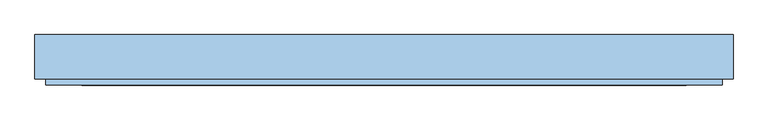
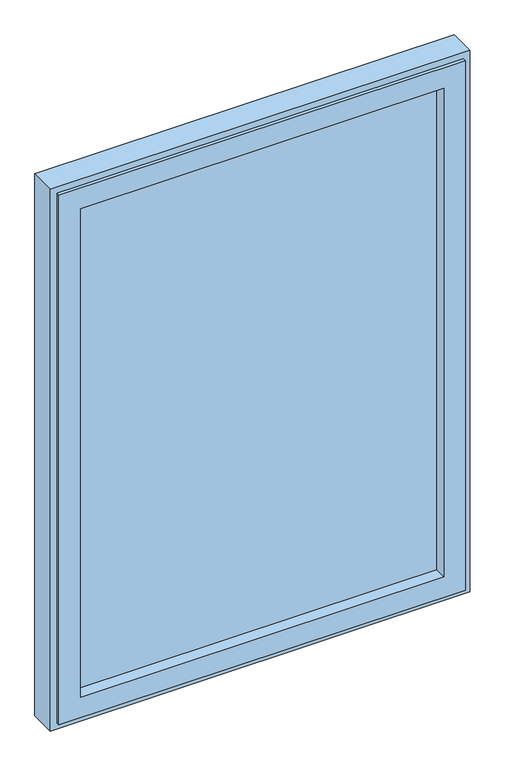
"""IFC4 building model written with IfcOpenShell, lengths in millimetres: window geometry."""

from ifc_helpers import new_model, si_unit, frame, origin, place, context, project, spatial, polyline, outline, extrude, faceted_brep, source, transform, mapped, element, save


def window_d5796dfa(model_context):
    return source(origin(), model_context, "Body", "SolidModel", [
        faceted_brep([(533.0, -35.5, 2383.0), (533.0, -44.5, 2383.0), (533.0, -44.5, 917.0), (533.0, -35.5, 917.0), (-533.0, -44.5, 2383.0), (-533.0, -44.5, 917.0), (476.0, -44.5, 974.0), (-476.0, -44.5, 974.0), (-476.0, -44.5, 2326.0), (476.0, -44.5, 2326.0), (-533.0, -35.5, 917.0), (-533.0, -35.5, 2383.0), (513.0, -35.5, 2363.0), (-513.0, -35.5, 2363.0), (-513.0, -35.5, 937.0), (513.0, -35.5, 937.0), (513.0, 29.5, 2363.0), (513.0, 29.5, 937.0), (-513.0, 29.5, 937.0), (-513.0, 29.5, 2363.0), (476.0, 29.5, 2326.0), (-476.0, 29.5, 2326.0), (-476.0, 29.5, 974.0), (476.0, 29.5, 974.0)], [[[0, 1, 2, 3]], [[1, 4, 5, 2], [6, 7, 8, 9]], [[3, 2, 5, 10]], [[3, 10, 11, 0], [12, 13, 14, 15]], [[16, 12, 15, 17]], [[17, 15, 14, 18]], [[17, 18, 19, 16], [20, 21, 22, 23]], [[9, 20, 23, 6]], [[6, 23, 22, 7]], [[10, 5, 4, 11]], [[18, 14, 13, 19]], [[7, 22, 21, 8]], [[11, 4, 1, 0]], [[19, 13, 12, 16]], [[8, 21, 20, 9]]]),
        extrude(outline(polyline([(-476.0, 21.0), (476.0, 21.0), (476.0, -13.0), (-476.0, -13.0), (-476.0, 21.0)])), frame((0.0, 0.0, 974.0), z_axis=(0.0, 0.0, 1.0), x_axis=(1.0, 0.0, 0.0)), (0.0, 0.0, 1.0), 1352.0),
        faceted_brep([(-525.0, 30.0, 2375.0), (-525.0, -35.0, 2375.0), (-525.0, -35.0, 925.0), (-525.0, 30.0, 925.0), (-550.0, -35.0, 900.0), (550.0, -35.0, 900.0), (550.0, -35.0, 2400.0), (-550.0, -35.0, 2400.0), (525.0, -35.0, 2375.0), (525.0, -35.0, 925.0), (525.0, 30.0, 925.0), (525.0, 30.0, 2375.0), (-481.0, 30.0, 2331.0), (481.0, 30.0, 2331.0), (481.0, 30.0, 969.0), (-481.0, 30.0, 969.0), (-481.0, 35.0, 2331.0), (-481.0, 35.0, 969.0), (481.0, 35.0, 969.0), (-550.0, 35.0, 2400.0), (550.0, 35.0, 2400.0), (550.0, 35.0, 900.0), (-550.0, 35.0, 900.0), (481.0, 35.0, 2331.0)], [[[0, 1, 2, 3]], [[4, 5, 6, 7], [1, 8, 9, 2]], [[3, 2, 9, 10]], [[3, 10, 11, 0], [12, 13, 14, 15]], [[16, 12, 15, 17]], [[17, 15, 14, 18]], [[19, 20, 21, 22], [17, 18, 23, 16]], [[19, 22, 4, 7]], [[4, 22, 21, 5]], [[10, 9, 8, 11]], [[18, 14, 13, 23]], [[5, 21, 20, 6]], [[11, 8, 1, 0]], [[23, 13, 12, 16]], [[6, 20, 19, 7]]]),
    ])


if __name__ == "__main__":
    model = new_model("IFC4")
    model_context = context("Model", 3, world=origin())
    ifc_project = project(units=[si_unit("LENGTHUNIT", "METRE", prefix="MILLI")], contexts=[model_context])
    site = spatial("IfcSite", under=ifc_project)
    building = spatial("IfcBuilding", under=site)
    placement = place(None, origin())
    window_shape = window_d5796dfa(model_context)
    element("IfcWindow", 1, at=placement, inside=building, context=model_context, shape_type="MappedRepresentation", body=[
        mapped(window_shape, transform((0.0, 0.0, 0.0), x_axis=(1.0, 0.0, 0.0), y_axis=(0.0, 1.0, 0.0), z_axis=(0.0, 0.0, 1.0))),
    ])
    save(model, "model.ifc")
